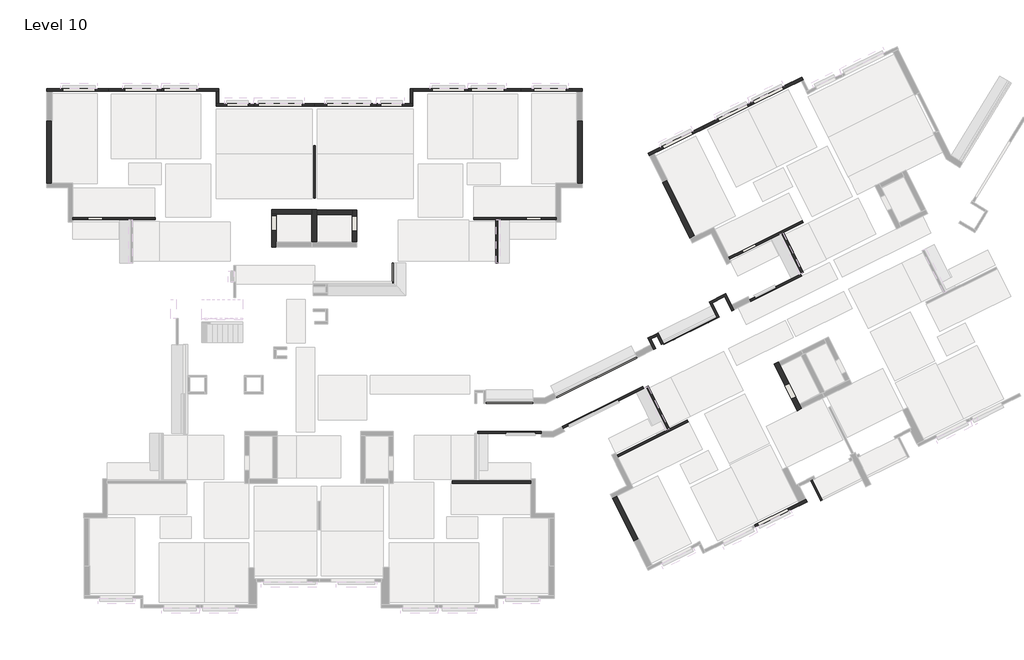
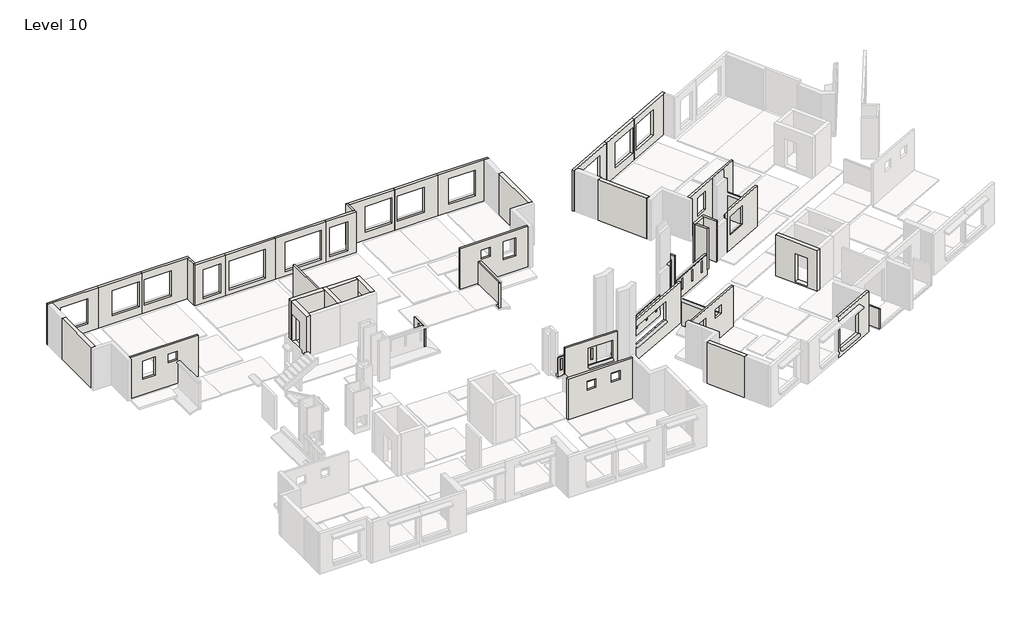
# One storey, part 2 of 8: 49 walls.
"""IFC4 building model written with IfcOpenShell, lengths in millimetres."""

from ifc_helpers import new_model, si_unit, frame, origin, place, context, project, spatial, polyline, outline, extrude, faceted_brep, element, save

model = new_model("IFC4")

# Units and contexts
model_context = context("Model", 3, world=origin())
ifc_project = project(units=[si_unit("LENGTHUNIT", "METRE", prefix="MILLI")], contexts=[model_context])

# Site, building, storey
site = spatial("IfcSite", under=ifc_project)
building = spatial("IfcBuilding", under=site)
storey = spatial("IfcBuildingStorey", under=building, Name="Level 10", Elevation=26000.0)

# Walls
placement = place(None, origin())
element("IfcWall", 1, at=placement, inside=storey, context=model_context, shape_type="Brep", body=[
    faceted_brep([(100354.8886058, -62651.6352907, 26000.0), (100354.8886058, -64401.6352907, 26000.0), (100354.8886058, -64401.6352907, 28800.0), (100354.8886058, -62651.6352907, 28800.0), (100354.8886058, -63526.6352907, 26100.0), (100354.8886058, -62726.6352907, 26100.0), (100354.8886058, -62726.6352907, 27900.0), (100354.8886058, -63526.6352907, 27900.0), (100604.8886058, -62651.6352907, 26000.0), (100604.8886058, -62651.6352907, 28800.0), (100604.8886058, -64151.6352907, 28800.0), (100604.8886058, -64401.6352907, 28800.0), (100604.8886058, -64401.6352907, 26000.0), (100604.8886058, -64151.6352907, 26000.0), (100604.8886058, -63526.6352907, 26100.0), (100604.8886058, -63526.6352907, 27900.0), (100604.8886058, -62726.6352907, 27900.0), (100604.8886058, -62726.6352907, 26100.0)], [[[0, 1, 2, 3], [4, 5, 6, 7]], [[8, 9, 10, 11, 12, 13], [14, 15, 16, 17]], [[2, 1, 12, 11]], [[0, 3, 9, 8]], [[1, 0, 8, 13, 12]], [[3, 2, 11, 10, 9]], [[5, 4, 14, 17]], [[6, 5, 17, 16]], [[7, 6, 16, 15]], [[4, 7, 15, 14]]]),
])
element("IfcWall", 2, at=placement, inside=storey, context=model_context, shape_type="Brep", body=[
    faceted_brep([(102506.8906058, -62401.6352907, 26000.0), (100354.8886058, -62401.6352907, 26000.0), (100354.8886058, -62401.6352907, 28800.0), (102506.8906058, -62401.6352907, 28800.0), (102506.8906058, -62651.6352907, 26000.0), (102506.8906058, -62651.6352907, 28800.0), (100604.8886058, -62651.6352907, 28800.0), (100354.8886058, -62651.6352907, 28800.0), (100354.8886058, -62651.6352907, 26000.0), (100604.8886058, -62651.6352907, 26000.0)], [[[0, 1, 2, 3]], [[4, 5, 6, 7, 8, 9]], [[1, 0, 4, 9, 8]], [[3, 2, 7, 6, 5]], [[2, 1, 8, 7]], [[0, 3, 5, 4]]]),
])
element("IfcWall", 3, at=placement, inside=storey, context=model_context, shape_type="Brep", body=[
    faceted_brep([(114333.1880048, -72660.6596186, 25706.0), (111806.9024596, -72660.6596186, 25706.0), (111806.9024596, -72660.6596186, 26950.0), (114333.1880048, -72660.6596186, 26950.0), (114081.6880048, -72660.6596186, 26125.0), (114081.6880048, -72660.6596186, 26900.0), (113981.6880048, -72660.6596186, 26900.0), (113981.6880048, -72660.6596186, 26125.0), (112098.6880048, -72660.6596186, 26125.0), (112098.6880048, -72660.6596186, 26900.0), (111998.6880048, -72660.6596186, 26900.0), (111998.6880048, -72660.6596186, 26125.0), (113090.1880048, -72660.6596186, 26125.0), (113090.1880048, -72660.6596186, 26900.0), (112990.1880048, -72660.6596186, 26900.0), (112990.1880048, -72660.6596186, 26125.0), (114333.1880048, -72780.6596186, 27050.0), (111806.9024596, -72780.6596186, 27050.0), (111806.9024596, -72780.6596186, 25706.0), (114333.1880048, -72780.6596186, 25706.0), (114081.6880048, -72780.6596186, 26900.0), (114081.6880048, -72780.6596186, 26125.0), (113981.6880048, -72780.6596186, 26125.0), (113981.6880048, -72780.6596186, 26900.0), (112098.6880048, -72780.6596186, 26900.0), (112098.6880048, -72780.6596186, 26125.0), (111998.6880048, -72780.6596186, 26125.0), (111998.6880048, -72780.6596186, 26900.0), (113090.1880048, -72780.6596186, 26900.0), (113090.1880048, -72780.6596186, 26125.0), (112990.1880048, -72780.6596186, 26125.0), (112990.1880048, -72780.6596186, 26900.0), (111806.9024596, -72735.6596186, 27050.0), (111806.9024596, -72735.6596186, 26950.0), (114333.1880048, -72735.6596186, 27050.0), (114333.1880048, -72735.6596186, 26950.0)], [[[0, 1, 2, 3], [4, 5, 6, 7], [8, 9, 10, 11], [12, 13, 14, 15]], [[16, 17, 18, 19], [20, 21, 22, 23], [24, 25, 26, 27], [28, 29, 30, 31]], [[18, 17, 32, 33, 2, 1]], [[17, 16, 34, 32]], [[16, 19, 0, 3, 35, 34]], [[5, 4, 21, 20]], [[7, 6, 23, 22]], [[9, 8, 25, 24]], [[11, 10, 27, 26]], [[13, 12, 29, 28]], [[14, 13, 28, 31]], [[15, 14, 31, 30]], [[4, 7, 22, 21]], [[6, 5, 20, 23]], [[8, 11, 26, 25]], [[10, 9, 24, 27]], [[12, 15, 30, 29]], [[35, 33, 32, 34]], [[33, 35, 3, 2]], [[1, 0, 19, 18]]]),
])
element("IfcWall", 4, at=placement, inside=storey, context=model_context, shape_type="Brep", body=[
    faceted_brep([(119848.7172993, -70236.8452219, 25656.0), (115545.1104648, -72373.1742074, 25656.0), (115545.1104648, -72373.1742074, 26950.0), (119848.7172993, -70236.8452219, 26950.0), (119443.5615445, -70437.9662852, 26900.0), (119443.5615445, -70437.9662852, 26125.0), (119533.1327205, -70393.5027673, 26125.0), (119533.1327205, -70393.5027673, 26900.0), (118547.8497842, -70882.6014644, 26900.0), (118547.8497842, -70882.6014644, 26125.0), (118637.4209602, -70838.1379465, 26125.0), (118637.4209602, -70838.1379465, 26900.0), (117652.138024, -71327.2366436, 26900.0), (117652.138024, -71327.2366436, 26125.0), (117741.7092, -71282.7731257, 26125.0), (117741.7092, -71282.7731257, 26900.0), (116756.4262637, -71771.8718228, 26900.0), (116756.4262637, -71771.8718228, 26125.0), (116845.9974398, -71727.4083049, 26125.0), (116845.9974398, -71727.4083049, 26900.0), (115860.7145035, -72216.507002, 26900.0), (115860.7145035, -72216.507002, 26125.0), (115950.2856795, -72172.0434841, 26125.0), (115950.2856795, -72172.0434841, 26900.0), (119902.0735208, -70344.3306331, 27050.0), (115598.4666863, -72480.6596186, 27050.0), (115598.4666863, -72480.6596186, 25656.0), (119902.0735208, -70344.3306331, 25656.0), (119496.917766, -70545.4516965, 26125.0), (119496.917766, -70545.4516965, 26900.0), (119586.488942, -70500.9881785, 26900.0), (119586.488942, -70500.9881785, 26125.0), (118601.2060057, -70990.0868756, 26125.0), (118601.2060057, -70990.0868756, 26900.0), (118690.7771817, -70945.6233577, 26900.0), (118690.7771817, -70945.6233577, 26125.0), (117705.4942455, -71434.7220548, 26125.0), (117705.4942455, -71434.7220548, 26900.0), (117795.0654215, -71390.2585369, 26900.0), (117795.0654215, -71390.2585369, 26125.0), (116809.7824852, -71879.357234, 26125.0), (116809.7824852, -71879.357234, 26900.0), (116899.3536613, -71834.8937161, 26900.0), (116899.3536613, -71834.8937161, 26125.0), (115914.070725, -72323.9924132, 26125.0), (115914.070725, -72323.9924132, 26900.0), (116003.641901, -72279.5288953, 26900.0), (116003.641901, -72279.5288953, 26125.0), (115578.4581032, -72440.3525894, 27050.0), (115578.4581032, -72440.3525894, 26950.0), (119882.0649378, -70304.0236039, 27050.0), (119882.0649378, -70304.0236039, 26950.0)], [[[0, 1, 2, 3], [4, 5, 6, 7], [8, 9, 10, 11], [12, 13, 14, 15], [16, 17, 18, 19], [20, 21, 22, 23]], [[24, 25, 26, 27], [28, 29, 30, 31], [32, 33, 34, 35], [36, 37, 38, 39], [40, 41, 42, 43], [44, 45, 46, 47]], [[26, 25, 48, 49, 2, 1]], [[25, 24, 50, 48]], [[24, 27, 0, 3, 51, 50]], [[5, 4, 29, 28]], [[7, 6, 31, 30]], [[9, 8, 33, 32]], [[11, 10, 35, 34]], [[13, 12, 37, 36]], [[15, 14, 39, 38]], [[17, 16, 41, 40]], [[19, 18, 43, 42]], [[21, 20, 45, 44]], [[23, 22, 47, 46]], [[6, 5, 28, 31]], [[4, 7, 30, 29]], [[10, 9, 32, 35]], [[8, 11, 34, 33]], [[12, 15, 38, 37]], [[14, 13, 36, 39]], [[16, 19, 42, 41]], [[18, 17, 40, 43]], [[22, 21, 44, 47]], [[20, 23, 46, 45]], [[51, 49, 48, 50]], [[49, 51, 3, 2]], [[1, 0, 27, 26]]]),
])
element("IfcWall", 5, at=placement, inside=storey, context=model_context, shape_type="Brep", body=[
    faceted_brep([(97391.1668295, -56874.9555569, 26000.0), (99391.1668295, -56874.9555569, 26000.0), (99391.1668295, -56874.9555569, 28800.0), (97391.1668295, -56874.9555569, 28800.0), (97941.1668295, -56874.9555569, 26300.0), (97941.1668295, -56874.9555569, 28300.0), (99091.1668295, -56874.9555569, 28300.0), (99091.1668295, -56874.9555569, 26300.0), (97391.1668295, -56724.9555569, 26000.0), (97391.1668295, -56724.9555569, 28800.0), (99391.1668295, -56724.9555569, 28800.0), (99391.1668295, -56724.9555569, 28480.3847577), (99391.1668295, -56724.9555569, 28300.0), (99391.1668295, -56724.9555569, 26000.0), (97941.1668295, -56724.9555569, 26300.0), (99091.1668295, -56724.9555569, 26300.0), (99091.1668295, -56724.9555569, 28300.0), (97941.1668295, -56724.9555569, 28300.0)], [[[0, 1, 2, 3], [4, 5, 6, 7]], [[8, 9, 10, 11, 12, 13], [14, 15, 16, 17]], [[1, 0, 8, 13]], [[3, 2, 10, 9]], [[0, 3, 9, 8]], [[5, 4, 14, 17]], [[6, 5, 17, 16]], [[7, 6, 16, 15]], [[4, 7, 15, 14]], [[1, 13, 12, 11, 10, 2]]]),
])
element("IfcWall", 6, at=placement, inside=storey, context=model_context, shape_type="Brep", body=[
    faceted_brep([(114767.7501263, -74274.9360664, 26000.0), (111386.9026833, -74274.9360664, 26000.0), (111386.9026833, -74274.9360664, 28800.0), (114767.7501263, -74274.9360664, 28800.0), (114475.7501263, -74274.9360664, 27050.0), (114475.7501263, -74274.9360664, 28300.0), (112885.7501263, -74274.9360664, 28300.0), (112885.7501263, -74274.9360664, 27050.0), (111386.9026833, -74394.9360664, 26000.0), (114767.7501263, -74394.9360664, 26000.0), (114767.7501263, -74394.9360664, 28800.0), (111386.9026833, -74394.9360664, 28800.0), (114475.7501263, -74394.9360664, 28300.0), (114475.7501263, -74394.9360664, 27050.0), (114467.7501263, -74394.9360664, 27050.0), (114467.7501263, -74394.9360664, 26950.0), (112887.7501263, -74394.9360664, 26950.0), (112887.7501263, -74394.9360664, 27050.0), (112885.7501263, -74394.9360664, 27050.0), (112885.7501263, -74394.9360664, 28300.0), (112887.7501263, -74319.9360664, 27050.0), (114467.7501263, -74319.9360664, 27050.0), (114467.7501263, -74319.9360664, 26950.0), (112887.7501263, -74319.9360664, 26950.0)], [[[0, 1, 2, 3], [4, 5, 6, 7]], [[8, 9, 10, 11], [12, 13, 14, 15, 16, 17, 18, 19]], [[1, 0, 9, 8]], [[2, 1, 8, 11]], [[3, 2, 11, 10]], [[0, 3, 10, 9]], [[5, 4, 13, 12]], [[6, 5, 12, 19]], [[7, 6, 19, 18]], [[4, 7, 18, 17, 20, 21, 14, 13]], [[21, 22, 15, 14]], [[23, 20, 17, 16]], [[22, 23, 16, 15]], [[22, 21, 20, 23]]]),
])
element("IfcWall", 7, at=placement, inside=storey, context=model_context, shape_type="Brep", body=[
    faceted_brep([(115961.7276501, -74113.6732234, 26000.0), (120273.4130946, -71971.5469905, 26000.0), (120273.4130946, -71971.5469905, 28800.0), (115961.7276501, -74113.6732234, 28800.0), (116230.3968162, -73980.1933403, 26950.0), (116230.3968162, -73980.1933403, 28300.0), (118917.0884776, -72645.3945102, 28300.0), (118917.0884776, -72645.3945102, 26950.0), (120220.0211414, -71864.0793241, 26000.0), (115908.3356969, -74006.2055569, 26000.0), (115908.3356969, -74006.2055569, 28800.0), (120220.0211414, -71864.0793241, 28800.0), (116177.004863, -73872.7256739, 28300.0), (116177.004863, -73872.7256739, 27050.0), (118863.6965244, -72537.9268438, 27050.0), (118863.6965244, -72537.9268438, 28300.0), (116197.0268455, -73913.0260488, 26950.0), (116197.0268455, -73913.0260488, 27050.0), (118883.7185068, -72578.2272187, 27050.0), (118883.7185068, -72578.2272187, 26950.0)], [[[0, 1, 2, 3], [4, 5, 6, 7]], [[8, 9, 10, 11], [12, 13, 14, 15]], [[1, 0, 9, 8]], [[2, 1, 8, 11]], [[3, 2, 11, 10]], [[0, 3, 10, 9]], [[4, 16, 17, 13, 12, 5]], [[6, 5, 12, 15]], [[6, 15, 14, 18, 19, 7]], [[14, 13, 17, 18]], [[17, 16, 19, 18]], [[19, 16, 4, 7]]]),
])
element("IfcWall", 8, at=placement, inside=storey, context=model_context, shape_type="Brep", body=[
    faceted_brep([(125984.275479, -67328.0243844, 26000.0), (128720.1252408, -65969.9367685, 26000.0), (128720.1252408, -65969.9367685, 28800.0), (125984.275479, -67328.0243844, 28800.0), (127372.6287073, -66638.8398567, 27050.0), (126252.989007, -67194.6338307, 27050.0), (126252.989007, -67194.6338307, 28300.0), (127372.6287073, -66638.8398567, 28300.0), (128666.7690192, -65862.4513572, 26000.0), (125930.9192575, -67220.5389732, 26000.0), (125930.9192575, -67220.5389732, 28800.0), (128666.7690192, -65862.4513572, 28800.0), (126199.6327855, -67087.1484195, 28300.0), (126199.6327855, -67087.1484195, 26950.0), (127319.2724858, -66531.3544455, 26950.0), (127319.2724858, -66531.3544455, 28300.0), (127352.6201243, -66598.5328275, 27050.0), (126232.980424, -67154.3268015, 27050.0), (126232.980424, -67154.3268015, 26950.0), (127352.6201243, -66598.5328275, 26950.0)], [[[0, 1, 2, 3], [4, 5, 6, 7]], [[8, 9, 10, 11], [12, 13, 14, 15]], [[1, 0, 9, 8]], [[2, 1, 8, 11]], [[3, 2, 11, 10]], [[0, 3, 10, 9]], [[5, 4, 16, 17]], [[6, 5, 17, 18, 13, 12]], [[7, 6, 12, 15]], [[4, 7, 15, 14, 19, 16]], [[18, 19, 14, 13]], [[18, 17, 16, 19]]]),
])
element("IfcWall", 9, at=placement, inside=storey, context=model_context, shape_type="Brep", body=[
    faceted_brep([(102641.1668295, -56874.9555569, 28800.0), (99391.1668295, -56874.9555569, 28800.0), (99391.1668295, -56874.9555569, 26000.0), (102641.1668295, -56874.9555569, 26000.0), (99641.1668295, -56874.9555569, 26300.0), (99641.1668295, -56874.9555569, 28300.0), (101991.1668295, -56874.9555569, 28300.0), (101991.1668295, -56874.9555569, 26300.0), (102641.1668295, -56724.9555569, 28800.0), (102641.1668295, -56724.9555569, 26000.0), (99391.1668295, -56724.9555569, 26000.0), (99391.1668295, -56724.9555569, 28300.0), (99391.1668295, -56724.9555569, 28480.3847577), (99391.1668295, -56724.9555569, 28800.0), (99641.1668295, -56724.9555569, 26300.0), (101991.1668295, -56724.9555569, 26300.0), (101991.1668295, -56724.9555569, 28300.0), (99641.1668295, -56724.9555569, 28300.0)], [[[0, 1, 2, 3], [4, 5, 6, 7]], [[8, 9, 10, 11, 12, 13], [14, 15, 16, 17]], [[1, 0, 8, 13]], [[5, 4, 14, 17]], [[7, 6, 16, 15]], [[0, 3, 9, 8]], [[6, 5, 17, 16]], [[4, 7, 15, 14]], [[3, 2, 10, 9]], [[1, 13, 12, 11, 10, 2]]]),
])
element("IfcWall", 10, ObjectType="KP-1-AX (2-15) (1)", at=placement, inside=storey, context=model_context, shape_type="SweptSolid", body=[
    extrude(outline(polyline([(120.0, -156.0), (120.0, -1950.0), (75.0, -1950.0), (75.0, -1850.0), (0.0, -1850.0), (0.0, -156.0), (120.0, -156.0)])), frame((121532.728752, -74191.3366927, 25550.0), z_axis=(-0.4446351791864894, 0.8957117602386376, 0.0), x_axis=(0.8957117602386376, 0.4446351791864894, 0.0)), (0.0, 0.0, 1.0), 2545.9175932),
])
element("IfcWall", 11, ObjectType="KP3-A (2-15)", at=placement, inside=storey, context=model_context, shape_type="Brep", body=[
    faceted_brep([(106811.9024596, -65276.6352907, 27050.0), (106811.9024596, -65276.6352907, 25656.0), (106811.9024596, -66281.6158002, 25656.0), (106811.9024596, -66401.6158002, 25656.0), (106811.9024596, -66401.6158002, 26950.0), (106811.9024596, -66326.6158002, 26950.0), (106811.9024596, -66326.6158002, 27050.0), (106811.9024596, -66251.6158002, 27050.0), (106811.9024596, -65758.0229436, 26134.930778), (106811.9024596, -65758.0229436, 26909.930778), (106811.9024596, -65858.0229436, 26909.930778), (106811.9024596, -65858.0229436, 26134.930778), (106931.9024596, -66401.6158002, 25656.0), (106931.9024596, -65276.6352907, 25656.0), (106931.9024596, -65276.6352907, 26950.0), (106931.9024596, -66401.6158002, 26950.0), (106931.9024596, -65758.0229436, 26909.930778), (106931.9024596, -65758.0229436, 26134.930778), (106931.9024596, -65858.0229436, 26134.930778), (106931.9024596, -65858.0229436, 26909.930778), (106856.9024596, -66326.6158002, 27050.0), (106856.9024596, -65276.6352907, 27050.0), (106856.9024596, -65276.6352907, 26950.0), (106856.9024596, -66326.6158002, 26950.0)], [[[0, 1, 2, 3, 4, 5, 6, 7], [8, 9, 10, 11]], [[12, 13, 14, 15], [16, 17, 18, 19]], [[3, 12, 15, 4]], [[0, 7, 6, 20, 21]], [[1, 0, 21, 22, 14, 13]], [[9, 8, 17, 16]], [[10, 9, 16, 19]], [[11, 10, 19, 18]], [[8, 11, 18, 17]], [[22, 23, 5, 4, 15, 14]], [[23, 22, 21, 20]], [[23, 20, 6, 5]], [[3, 2, 1, 13, 12]]]),
])
element("IfcWall", 12, ObjectType="KP5-B (2-15)", at=placement, inside=storey, context=model_context, shape_type="Brep", body=[
    faceted_brep([(124129.9785145, -68111.5864133, 25656.0), (121285.6244929, -69522.3575498, 25656.0), (121285.6244929, -69522.3575498, 26950.0), (124129.9785145, -68111.5864133, 26950.0), (121883.6107321, -69225.7623581, 26125.0), (121883.6107321, -69225.7623581, 26900.0), (121794.0247786, -69270.1960947, 26900.0), (121794.0247786, -69270.1960947, 26125.0), (122779.4702664, -68781.4249923, 26125.0), (122779.4702664, -68781.4249923, 26900.0), (122689.884313, -68825.8587289, 26900.0), (122689.884313, -68825.8587289, 26125.0), (123675.3298008, -68337.0876264, 26125.0), (123675.3298008, -68337.0876264, 26900.0), (123585.7438474, -68381.521363, 26900.0), (123585.7438474, -68381.521363, 26125.0), (124183.2989984, -68219.0895574, 27050.0), (121338.9449768, -69629.8606939, 27050.0), (121338.9449768, -69629.8606939, 25656.0), (124183.2989984, -68219.0895574, 25656.0), (121936.931216, -69333.2655022, 26900.0), (121936.931216, -69333.2655022, 26125.0), (121847.3452625, -69377.6992388, 26125.0), (121847.3452625, -69377.6992388, 26900.0), (122832.7907503, -68888.9281364, 26900.0), (122832.7907503, -68888.9281364, 26125.0), (122743.2047969, -68933.361873, 26125.0), (122743.2047969, -68933.361873, 26900.0), (123728.6502847, -68444.5907705, 26900.0), (123728.6502847, -68444.5907705, 26125.0), (123639.0643313, -68489.0245071, 26125.0), (123639.0643313, -68489.0245071, 26900.0), (124163.3038169, -68178.7758783, 26950.0), (124163.3038169, -68178.7758783, 27050.0), (121318.9497953, -69589.5470149, 27050.0), (121318.9497953, -69589.5470149, 26950.0)], [[[0, 1, 2, 3], [4, 5, 6, 7], [8, 9, 10, 11], [12, 13, 14, 15]], [[16, 17, 18, 19], [20, 21, 22, 23], [24, 25, 26, 27], [28, 29, 30, 31]], [[16, 19, 0, 3, 32, 33]], [[18, 17, 34, 35, 2, 1]], [[17, 16, 33, 34]], [[5, 4, 21, 20]], [[6, 5, 20, 23]], [[7, 6, 23, 22]], [[9, 8, 25, 24]], [[10, 9, 24, 27]], [[11, 10, 27, 26]], [[8, 11, 26, 25]], [[13, 12, 29, 28]], [[14, 13, 28, 31]], [[15, 14, 31, 30]], [[4, 7, 22, 21]], [[12, 15, 30, 29]], [[32, 35, 34, 33]], [[35, 32, 3, 2]], [[1, 0, 19, 18]]]),
])
element("IfcWall", 13, ObjectType="KP7-AX (2-15)", at=placement, inside=storey, context=model_context, shape_type="SweptSolid", body=[
    extrude(outline(polyline([(27500.0, 112331.8906058), (25706.0, 112331.8906058), (25706.0, 112451.8906058), (27400.0, 112451.8906058), (27400.0, 112376.8906058), (27500.0, 112376.8906058), (27500.0, 112331.8906058)])), frame((0.0, -65276.6352907, 0.0), z_axis=(0.0, 1.0, 0.0), x_axis=(0.0, 0.0, 1.0)), (0.0, 0.0, 1.0), 2331.6797338),
])
element("IfcWall", 14, ObjectType="KP7-B (2-15)", at=placement, inside=storey, context=model_context, shape_type="Brep", body=[
    faceted_brep([(127631.8110355, -63685.7638798, 25706.0), (128699.9947468, -65837.6060127, 25706.0), (128699.9947468, -65837.6060127, 27400.0), (127631.8110355, -63685.7638798, 27400.0), (127739.2932519, -63632.4012224, 27500.0), (128807.480158, -65784.2497912, 27500.0), (128807.480158, -65784.2497912, 25706.0), (127739.2932519, -63632.4012224, 25706.0), (128767.1731288, -65804.2583742, 27500.0), (128767.1731288, -65804.2583742, 27400.0), (127698.9874207, -63652.4122189, 27500.0), (127698.9874205, -63652.412219, 27400.0)], [[[0, 1, 2, 3]], [[4, 5, 6, 7]], [[6, 5, 8, 9, 2, 1]], [[5, 4, 10, 8]], [[1, 0, 7, 6]], [[4, 7, 0, 3, 11, 10]], [[11, 9, 8, 10]], [[9, 11, 3, 2]]]),
])
element("IfcWall", 15, ObjectType="PHS-7B1", at=placement, inside=storey, context=model_context, shape_type="Brep", body=[
    faceted_brep([(102756.8906058, -64151.6352907, 26000.0), (102756.8906058, -62676.6352907, 26000.0), (102756.8906058, -62426.6352907, 26000.0), (102756.8906058, -62401.6352907, 26000.0), (102756.8906058, -62401.6352907, 28800.0), (102756.8906058, -62426.6352907, 28800.0), (102756.8906058, -62676.6352907, 28800.0), (102756.8906058, -64151.6352907, 28800.0), (102506.8906058, -64151.6352907, 26000.0), (102506.8906058, -64151.6352907, 28800.0), (102506.8906058, -62651.6352907, 28800.0), (102506.8906058, -62401.6352907, 28800.0), (102506.8906058, -62401.6352907, 26000.0), (102506.8906058, -62651.6352907, 26000.0)], [[[0, 1, 2, 3, 4, 5, 6, 7]], [[8, 9, 10, 11, 12, 13]], [[3, 2, 1, 0, 8, 13, 12]], [[7, 6, 5, 4, 11, 10, 9]], [[0, 7, 9, 8]], [[4, 3, 12, 11]]]),
])
element("IfcWall", 16, ObjectType="PHS-7B1", at=placement, inside=storey, context=model_context, shape_type="Brep", body=[
    faceted_brep([(104906.8906058, -64151.6352907, 26000.0), (104906.8906058, -62426.6352907, 26000.0), (104906.8906058, -62426.6352907, 28800.0), (104906.8906058, -64151.6352907, 28800.0), (104906.8906058, -63551.6352907, 28000.0), (104906.8906058, -62751.6352907, 28000.0), (104906.8906058, -62751.6352907, 26100.0), (104906.8906058, -63551.6352907, 26100.0), (104656.8906058, -64151.6352907, 26000.0), (104656.8906058, -64151.6352907, 28800.0), (104656.8906058, -62676.6352907, 28800.0), (104656.8906058, -62426.6352907, 28800.0), (104656.8906058, -62426.6352907, 26000.0), (104656.8906058, -62676.6352907, 26000.0), (104656.8906058, -63551.6352907, 28000.0), (104656.8906058, -63551.6352907, 26100.0), (104656.8906058, -62751.6352907, 26100.0), (104656.8906058, -62751.6352907, 28000.0)], [[[0, 1, 2, 3], [4, 5, 6, 7]], [[8, 9, 10, 11, 12, 13], [14, 15, 16, 17]], [[0, 3, 9, 8]], [[2, 1, 12, 11]], [[1, 0, 8, 13, 12]], [[3, 2, 11, 10, 9]], [[5, 4, 14, 17]], [[6, 5, 17, 16]], [[7, 6, 16, 15]], [[4, 7, 15, 14]]]),
])
element("IfcWall", 17, ObjectType="PHS-7B1", at=placement, inside=storey, context=model_context, shape_type="SweptSolid", body=[
    extrude(outline(polyline([(102756.8906058, -62426.6352907), (104656.8906058, -62426.6352907), (104656.8906058, -62676.6352907), (102756.8906058, -62676.6352907), (102756.8906058, -62426.6352907)])), frame((0.0, 0.0, 26000.0), z_axis=(0.0, 0.0, 1.0), x_axis=(1.0, 0.0, 0.0)), (0.0, 0.0, 1.0), 2800.0),
])
element("IfcWall", 18, ObjectType="PHS-8B1", at=placement, inside=storey, context=model_context, shape_type="Brep", body=[
    faceted_brep([(127230.9604349, -70669.6609409, 26000.0), (128476.7727329, -73177.2399387, 26000.0), (128476.7727329, -73177.2399387, 28800.0), (127230.9604349, -70669.6609409, 28800.0), (128165.3196725, -72550.3452177, 26100.0), (127809.3733178, -71833.894108, 26100.0), (127809.3733178, -71833.894108, 28000.0), (128165.3196725, -72550.3452177, 28000.0), (127454.8514067, -70558.4277051, 26000.0), (127454.8514067, -70558.4277051, 28800.0), (127566.0846425, -70782.3186769, 28800.0), (128589.4304688, -72842.115731, 28800.0), (128700.6637047, -73066.0067028, 28800.0), (128700.6637047, -73066.0067028, 26000.0), (128589.4304688, -72842.115731, 26000.0), (127566.0846425, -70782.3186769, 26000.0), (128389.2106443, -72439.1119818, 26100.0), (128389.2106443, -72439.1119818, 28000.0), (128033.2642896, -71722.6608722, 28000.0), (128033.2642896, -71722.6608722, 26100.0)], [[[0, 1, 2, 3], [4, 5, 6, 7]], [[8, 9, 10, 11, 12, 13, 14, 15], [16, 17, 18, 19]], [[2, 1, 13, 12]], [[0, 3, 9, 8]], [[1, 0, 8, 15, 14, 13]], [[3, 2, 12, 11, 10, 9]], [[5, 4, 16, 19]], [[6, 5, 19, 18]], [[7, 6, 18, 17]], [[4, 7, 17, 16]]]),
])
element("IfcWall", 19, ObjectType="Precast 120wall for duct", at=placement, inside=storey, context=model_context, shape_type="Brep", body=[
    faceted_brep([(121308.9541326, -69580.1657026, 26000.0), (121023.7178208, -69006.0402216, 26000.0), (121023.7178208, -69006.0402216, 28800.0), (121308.9541326, -69580.1657026, 28800.0), (121201.4864661, -69633.5576558, 26000.0), (121201.4864661, -69633.5576558, 28800.0), (120969.6421075, -69166.8998412, 28800.0), (120916.2501543, -69059.4321748, 28800.0), (120916.2501543, -69059.4321748, 26000.0), (120969.6421075, -69166.8998412, 26000.0)], [[[0, 1, 2, 3]], [[4, 5, 6, 7, 8, 9]], [[1, 0, 4, 9, 8]], [[3, 2, 7, 6, 5]], [[0, 3, 5, 4]], [[2, 1, 8, 7]]]),
])
element("IfcWall", 20, ObjectType="Precast 120wall for duct", at=placement, inside=storey, context=model_context, shape_type="Brep", body=[
    faceted_brep([(120916.2501543, -69059.4321748, 26000.0), (120486.6297688, -69272.8756437, 26000.0), (120486.6297688, -69272.8756437, 28800.0), (120916.2501543, -69059.4321748, 28800.0), (120969.6421075, -69166.8998412, 26000.0), (120969.6421075, -69166.8998412, 28800.0), (120647.4179547, -69326.9868465, 28800.0), (120539.9502645, -69380.3788115, 28800.0), (120539.9502645, -69380.3788115, 26000.0), (120647.4179547, -69326.9868465, 26000.0)], [[[0, 1, 2, 3]], [[4, 5, 6, 7, 8, 9]], [[1, 0, 4, 9, 8]], [[3, 2, 7, 6, 5]], [[0, 3, 5, 4]], [[2, 1, 8, 7]]]),
])
element("IfcWall", 21, ObjectType="Precast 120wall for duct", at=placement, inside=storey, context=model_context, shape_type="SweptSolid", body=[
    extrude(outline(polyline([(120797.6659249, -69899.9773177), (120539.9502645, -69380.3788115), (120647.4179547, -69326.9868465), (120905.169069, -69846.6568338), (120797.6659249, -69899.9773177)])), frame((0.0, 0.0, 26000.0), z_axis=(0.0, 0.0, 1.0), x_axis=(1.0, 0.0, 0.0)), (0.0, 0.0, 1.0), 2800.0),
])
element("IfcWall", 22, ObjectType="Precast 120wall for duct", at=placement, inside=storey, context=model_context, shape_type="Brep", body=[
    faceted_brep([(125086.0520903, -67771.505869, 26000.0), (124659.2023183, -66911.6225792, 26000.0), (124659.2023183, -66911.6225792, 28800.0), (125086.0520903, -67771.505869, 28800.0), (124978.5666791, -67824.8620905, 26000.0), (124978.5666791, -67824.8620905, 28800.0), (124605.0731286, -67072.4642119, 28800.0), (124551.7169071, -66964.9788007, 28800.0), (124551.7169071, -66964.9788007, 26000.0), (124605.0731286, -67072.4642119, 26000.0)], [[[0, 1, 2, 3]], [[4, 5, 6, 7, 8, 9]], [[1, 0, 4, 9, 8]], [[3, 2, 7, 6, 5]], [[0, 3, 5, 4]], [[2, 1, 8, 7]]]),
])
element("IfcWall", 23, ObjectType="Precast 120wall for duct", at=placement, inside=storey, context=model_context, shape_type="Brep", body=[
    faceted_brep([(124551.7169071, -66964.9788007, 26000.0), (123756.9527442, -67359.5031573, 26000.0), (123756.9527442, -67359.5031573, 28800.0), (124551.7169071, -66964.9788007, 28800.0), (124605.0731286, -67072.4642119, 26000.0), (124605.0731286, -67072.4642119, 28800.0), (123917.7586483, -67413.6500829, 28800.0), (123810.2732311, -67467.0063074, 28800.0), (123810.2732311, -67467.0063074, 26000.0), (123917.7586483, -67413.6500829, 26000.0)], [[[0, 1, 2, 3]], [[4, 5, 6, 7, 8, 9]], [[1, 0, 4, 9, 8]], [[3, 2, 7, 6, 5]], [[0, 3, 5, 4]], [[2, 1, 8, 7]]]),
])
element("IfcWall", 24, ObjectType="Precast 120wall for duct", at=placement, inside=storey, context=model_context, shape_type="SweptSolid", body=[
    extrude(outline(polyline([(124183.5166169, -68219.5283133), (123810.2732311, -67467.0063074), (123917.7586483, -67413.6500829), (124291.0197611, -68166.2078294), (124183.5166169, -68219.5283133)])), frame((0.0, 0.0, 26000.0), z_axis=(0.0, 0.0, 1.0), x_axis=(1.0, 0.0, 0.0)), (0.0, 0.0, 1.0), 2800.0),
])
element("IfcWall", 25, ObjectType="Precast wall 150", at=placement, inside=storey, context=model_context, shape_type="SweptSolid", body=[
    extrude(outline(polyline([(26000.0, 88316.1668295), (26000.0, 91596.1668295), (28800.0, 91596.1668295), (28800.0, 88316.1668295), (26000.0, 88316.1668295)]), holes=[polyline([(26550.0, 89166.1668295), (28285.0, 89166.1668295), (28285.0, 90924.4788397), (26550.0, 90924.4788397), (26550.0, 89166.1668295)])]), frame((0.0, -56074.9555569, 0.0), z_axis=(0.0, 1.0, 0.0), x_axis=(0.0, 0.0, 1.0)), (0.0, 0.0, 1.0), 150.0),
])
element("IfcWall", 26, ObjectType="Precast wall 150", at=placement, inside=storey, context=model_context, shape_type="Brep", body=[
    faceted_brep([(91596.1668295, -56074.9555569, 26000.0), (94431.1668295, -56074.9555569, 26000.0), (94431.1668295, -56074.9555569, 28800.0), (91596.1668295, -56074.9555569, 28800.0), (94241.1668295, -56074.9555569, 28285.0), (94241.1668295, -56074.9555569, 26550.0), (92491.1668295, -56074.9555569, 26550.0), (92491.1668295, -56074.9555569, 28285.0), (91596.1668295, -55924.9555569, 26000.0), (91596.1668295, -55924.9555569, 28800.0), (94431.1668295, -55924.9555569, 28800.0), (94431.1668295, -55924.9555569, 28480.3847577), (94431.1668295, -55924.9555569, 28300.0), (94431.1668295, -55924.9555569, 26000.0), (94241.1668295, -55924.9555569, 28285.0), (92491.1668295, -55924.9555569, 28285.0), (92491.1668295, -55924.9555569, 26550.0), (94241.1668295, -55924.9555569, 26550.0)], [[[0, 1, 2, 3], [4, 5, 6, 7]], [[8, 9, 10, 11, 12, 13], [14, 15, 16, 17]], [[1, 0, 8, 13]], [[3, 2, 10, 9]], [[0, 3, 9, 8]], [[5, 4, 14, 17]], [[6, 5, 17, 16]], [[7, 6, 16, 15]], [[4, 7, 15, 14]], [[1, 13, 12, 11, 10, 2]]]),
])
element("IfcWall", 27, ObjectType="Precast wall 150", at=placement, inside=storey, context=model_context, shape_type="Brep", body=[
    faceted_brep([(107896.1668295, -56074.9555569, 26000.0), (110856.1668295, -56074.9555569, 26000.0), (110856.1668295, -56074.9555569, 28800.0), (107896.1668295, -56074.9555569, 28800.0), (108936.1668295, -56074.9555569, 26550.0), (108936.1668295, -56074.9555569, 28285.0), (110686.1668295, -56074.9555569, 28285.0), (110686.1668295, -56074.9555569, 26550.0), (107896.1668295, -55924.9555569, 26000.0), (107896.1668295, -55924.9555569, 28800.0), (110856.1668295, -55924.9555569, 28800.0), (110856.1668295, -55924.9555569, 28480.3847577), (110856.1668295, -55924.9555569, 28300.0), (110856.1668295, -55924.9555569, 26000.0), (108936.1668295, -55924.9555569, 26550.0), (110686.1668295, -55924.9555569, 26550.0), (110686.1668295, -55924.9555569, 28285.0), (108936.1668295, -55924.9555569, 28285.0)], [[[0, 1, 2, 3], [4, 5, 6, 7]], [[8, 9, 10, 11, 12, 13], [14, 15, 16, 17]], [[1, 0, 8, 13]], [[3, 2, 10, 9]], [[5, 4, 14, 17]], [[6, 5, 17, 16]], [[7, 6, 16, 15]], [[4, 7, 15, 14]], [[1, 13, 12, 11, 10, 2]], [[0, 3, 9, 8]]]),
])
element("IfcWall", 28, ObjectType="Precast wall 150", at=placement, inside=storey, context=model_context, shape_type="SweptSolid", body=[
    extrude(outline(polyline([(26000.0, 113666.1668295), (26000.0, 116966.1668295), (28800.0, 116966.1668295), (28800.0, 113666.1668295), (26000.0, 113666.1668295)]), holes=[polyline([(26550.0, 114366.1668295), (28300.0, 114366.1668295), (28300.0, 116116.1668295), (26550.0, 116116.1668295), (26550.0, 114366.1668295)])]), frame((0.0, -56074.9555569, 0.0), z_axis=(0.0, 1.0, 0.0), x_axis=(0.0, 0.0, 1.0)), (0.0, 0.0, 1.0), 150.0),
])
element("IfcWall", 29, ObjectType="Precast wall 150", at=placement, inside=storey, context=model_context, shape_type="SweptSolid", body=[
    extrude(outline(polyline([(0.0, 0.0), (3280.0, 0.0), (3280.0, -2800.0), (0.0, -2800.0), (0.0, 0.0)]), holes=[polyline([(850.0, -550.0), (850.0, -2300.0), (2600.0, -2300.0), (2600.0, -550.0), (850.0, -550.0)])]), frame((120556.435914, -59528.432454, 26000.0), z_axis=(-0.4446888107600673, 0.8956851352929762, 0.0), x_axis=(0.8956851352929762, 0.4446888107600673, 0.0)), (0.0, 0.0, 1.0), 150.0),
])
element("IfcWall", 30, ObjectType="Precast wall 150", at=placement, inside=storey, context=model_context, shape_type="Brep", body=[
    faceted_brep([(123494.2831578, -58069.8531547, 26000.0), (126002.2015366, -56824.7244846, 26000.0), (126002.2015366, -56824.7244846, 28800.0), (123494.2831578, -58069.8531547, 28800.0), (124289.6515579, -57674.9694908, 26550.0), (124289.6515579, -57674.9694908, 28300.0), (125857.1005447, -56896.764072, 28300.0), (125857.1005447, -56896.764072, 26550.0), (125935.498215, -56690.3717143, 26000.0), (123427.5798362, -57935.5003844, 26000.0), (123427.5798362, -57935.5003844, 28800.0), (125935.498215, -56690.3717143, 28800.0), (125935.498215, -56690.3717143, 28480.3847577), (125935.498215, -56690.3717143, 28300.0), (124222.9482363, -57540.6167205, 28300.0), (124222.9482363, -57540.6167205, 26550.0), (125790.3972231, -56762.4113017, 26550.0), (125790.3972231, -56762.4113017, 28300.0)], [[[0, 1, 2, 3], [4, 5, 6, 7]], [[8, 9, 10, 11, 12, 13], [14, 15, 16, 17]], [[1, 0, 9, 8]], [[3, 2, 11, 10]], [[0, 3, 10, 9]], [[5, 4, 15, 14]], [[6, 5, 14, 17]], [[7, 6, 17, 16]], [[4, 7, 16, 15]], [[1, 8, 13, 12, 11, 2]]]),
])
element("IfcWall", 31, ObjectType="Precast wall 150", at=placement, inside=storey, context=model_context, shape_type="Brep", body=[
    faceted_brep([(97511.1668295, -56074.9555569, 28800.0), (97391.1668295, -56074.9555569, 28800.0), (94431.1668295, -56074.9555569, 28800.0), (94431.1668295, -56074.9555569, 26000.0), (97391.1668295, -56074.9555569, 26000.0), (97511.1668295, -56074.9555569, 26000.0), (96341.1668295, -56074.9555569, 28285.0), (96341.1668295, -56074.9555569, 26550.0), (94591.1668295, -56074.9555569, 26550.0), (94591.1668295, -56074.9555569, 28285.0), (97511.1668295, -55924.9555569, 28800.0), (97511.1668295, -55924.9555569, 26000.0), (94431.1668295, -55924.9555569, 26000.0), (94431.1668295, -55924.9555569, 28300.0), (94431.1668295, -55924.9555569, 28480.3847577), (94431.1668295, -55924.9555569, 28800.0), (96341.1668295, -55924.9555569, 28285.0), (94591.1668295, -55924.9555569, 28285.0), (94591.1668295, -55924.9555569, 26550.0), (96341.1668295, -55924.9555569, 26550.0)], [[[0, 1, 2, 3, 4, 5], [6, 7, 8, 9]], [[10, 11, 12, 13, 14, 15], [16, 17, 18, 19]], [[2, 1, 0, 10, 15]], [[7, 6, 16, 19]], [[9, 8, 18, 17]], [[8, 7, 19, 18]], [[6, 9, 17, 16]], [[5, 4, 3, 12, 11]], [[2, 15, 14, 13, 12, 3]], [[0, 5, 11, 10]]]),
])
element("IfcWall", 32, ObjectType="Precast wall 150", at=placement, inside=storey, context=model_context, shape_type="Brep", body=[
    faceted_brep([(113666.1668295, -56074.9555569, 28800.0), (110856.1668295, -56074.9555569, 28800.0), (110856.1668295, -56074.9555569, 26000.0), (113666.1668295, -56074.9555569, 26000.0), (111036.1668295, -56074.9555569, 26550.0), (111036.1668295, -56074.9555569, 28285.0), (112786.1668295, -56074.9555569, 28285.0), (112786.1668295, -56074.9555569, 26550.0), (113666.1668295, -55924.9555569, 28800.0), (113666.1668295, -55924.9555569, 26000.0), (110856.1668295, -55924.9555569, 26000.0), (110856.1668295, -55924.9555569, 28300.0), (110856.1668295, -55924.9555569, 28480.3847577), (110856.1668295, -55924.9555569, 28800.0), (111036.1668295, -55924.9555569, 26550.0), (112786.1668295, -55924.9555569, 26550.0), (112786.1668295, -55924.9555569, 28285.0), (111036.1668295, -55924.9555569, 28285.0)], [[[0, 1, 2, 3], [4, 5, 6, 7]], [[8, 9, 10, 11, 12, 13], [14, 15, 16, 17]], [[1, 0, 8, 13]], [[5, 4, 14, 17]], [[7, 6, 16, 15]], [[0, 3, 9, 8]], [[6, 5, 17, 16]], [[4, 7, 15, 14]], [[3, 2, 10, 9]], [[1, 13, 12, 11, 10, 2]]]),
])
element("IfcWall", 33, ObjectType="Precast wall 150", at=placement, inside=storey, context=model_context, shape_type="Brep", body=[
    faceted_brep([(128785.67319, -55442.7894155, 28800.0), (128678.1909738, -55496.1520728, 28800.0), (126002.2015366, -56824.7244846, 28800.0), (126002.2015366, -56824.7244846, 26000.0), (128678.1909738, -55496.1520728, 26000.0), (128785.67319, -55442.7894155, 26000.0), (126170.590342, -56741.1229882, 26550.0), (126170.590342, -56741.1229882, 28300.0), (127738.0393288, -55962.9175694, 28300.0), (127738.0393288, -55962.9175694, 26550.0), (125935.498215, -56690.3717143, 28800.0), (128718.9698684, -55308.4366452, 28800.0), (128718.9698684, -55308.4366452, 26000.0), (125935.498215, -56690.3717143, 26000.0), (125935.498215, -56690.3717143, 28300.0), (125935.498215, -56690.3717143, 28480.3847577), (126103.8870204, -56606.7702179, 28300.0), (126103.8870204, -56606.7702179, 26550.0), (127671.3360072, -55828.5647991, 26550.0), (127671.3360072, -55828.5647991, 28300.0)], [[[0, 1, 2, 3, 4, 5], [6, 7, 8, 9]], [[10, 11, 12, 13, 14, 15], [16, 17, 18, 19]], [[2, 1, 0, 11, 10]], [[7, 6, 17, 16]], [[9, 8, 19, 18]], [[8, 7, 16, 19]], [[6, 9, 18, 17]], [[5, 4, 3, 13, 12]], [[2, 10, 15, 14, 13, 3]], [[0, 5, 12, 11]]]),
])
element("IfcWall", 34, ObjectType="Precast wall 150", at=placement, inside=storey, context=model_context, shape_type="Brep", body=[
    faceted_brep([(129004.6325692, -78055.9278018, 28800.0), (126231.7980837, -79431.225964, 28800.0), (126231.7980837, -79431.225964, 28480.3847577), (126231.7980837, -79431.225964, 28300.0), (126231.7980837, -79431.225964, 26000.0), (129004.6325692, -78055.9278018, 26000.0), (126410.9699906, -79342.3584909, 26550.0), (126410.9699906, -79342.3584909, 28300.0), (128023.5171524, -78542.5512323, 28300.0), (128023.5171524, -78542.5512323, 26550.0), (126411.1192172, -79342.2844759, 26550.0), (126165.1474788, -79296.8470339, 28800.0), (128937.9819644, -77921.5488717, 28800.0), (128937.9819644, -77921.5488717, 26000.0), (126165.1474788, -79296.8470339, 26000.0), (126344.3193857, -79207.9795607, 28300.0), (126344.3193857, -79207.9795607, 26550.0), (127956.8665476, -78408.1723022, 26550.0), (127956.8665476, -78408.1723022, 28300.0)], [[[0, 1, 2, 3, 4, 5], [6, 7, 8, 9, 10]], [[11, 12, 13, 14], [15, 16, 17, 18]], [[1, 0, 12, 11]], [[7, 6, 16, 15]], [[8, 7, 15, 18]], [[0, 5, 13, 12]], [[17, 16, 6, 10, 9]], [[9, 8, 18, 17]], [[5, 4, 14, 13]], [[1, 11, 14, 4, 3, 2]]]),
])
element("IfcWall", 35, ObjectType="Precast wall 150 (300) Height", at=placement, inside=storey, context=model_context, shape_type="Brep", body=[
    faceted_brep([(102641.1668295, -56874.9555569, 26000.0), (105936.1668295, -56874.9555569, 26000.0), (105936.1668295, -56874.9555569, 28800.0), (102641.1668295, -56874.9555569, 28800.0), (103291.1668295, -56874.9555569, 26300.0), (103291.1668295, -56874.9555569, 28300.0), (105641.1668295, -56874.9555569, 28300.0), (105641.1668295, -56874.9555569, 26300.0), (102641.1668295, -56724.9555569, 26000.0), (102641.1668295, -56724.9555569, 28800.0), (105936.1668295, -56724.9555569, 28800.0), (105936.1668295, -56724.9555569, 28480.3847577), (105936.1668295, -56724.9555569, 28300.0), (105936.1668295, -56724.9555569, 26000.0), (103291.1668295, -56724.9555569, 26300.0), (105641.1668295, -56724.9555569, 26300.0), (105641.1668295, -56724.9555569, 28300.0), (103291.1668295, -56724.9555569, 28300.0)], [[[0, 1, 2, 3], [4, 5, 6, 7]], [[8, 9, 10, 11, 12, 13], [14, 15, 16, 17]], [[1, 0, 8, 13]], [[3, 2, 10, 9]], [[0, 3, 9, 8]], [[5, 4, 14, 17]], [[6, 5, 17, 16]], [[7, 6, 16, 15]], [[4, 7, 15, 14]], [[1, 13, 12, 11, 10, 2]]]),
])
element("IfcWall", 36, ObjectType="Precast wall 150 (300) Height", at=placement, inside=storey, context=model_context, shape_type="Brep", body=[
    faceted_brep([(107896.1668295, -56874.9555569, 28800.0), (105936.1668295, -56874.9555569, 28800.0), (105936.1668295, -56874.9555569, 26000.0), (107896.1668295, -56874.9555569, 26000.0), (106191.1668295, -56874.9555569, 26300.0), (106191.1668295, -56874.9555569, 28300.0), (107341.1668295, -56874.9555569, 28300.0), (107341.1668295, -56874.9555569, 26300.0), (107896.1668295, -56724.9555569, 28800.0), (107896.1668295, -56724.9555569, 26000.0), (107776.1668295, -56724.9555569, 26000.0), (105936.1668295, -56724.9555569, 26000.0), (105936.1668295, -56724.9555569, 28300.0), (105936.1668295, -56724.9555569, 28480.3847577), (105936.1668295, -56724.9555569, 28800.0), (107776.1668295, -56724.9555569, 28800.0), (106191.1668295, -56724.9555569, 26300.0), (106196.1668295, -56724.9555569, 26300.0), (107336.1668295, -56724.9555569, 26300.0), (107341.1668295, -56724.9555569, 26300.0), (107341.1668295, -56724.9555569, 28300.0), (106191.1668295, -56724.9555569, 28300.0)], [[[0, 1, 2, 3], [4, 5, 6, 7]], [[8, 9, 10, 11, 12, 13, 14, 15], [16, 17, 18, 19, 20, 21]], [[1, 0, 8, 15, 14]], [[5, 4, 16, 21]], [[7, 6, 20, 19]], [[4, 7, 19, 18, 17, 16]], [[6, 5, 21, 20]], [[3, 2, 11, 10, 9]], [[1, 14, 13, 12, 11, 2]], [[0, 3, 9, 8]]]),
])
element("IfcWall", 37, ObjectType="Precast wall 250", at=placement, inside=storey, context=model_context, shape_type="SweptSolid", body=[
    extrude(outline(polyline([(88316.1668295, -60974.9555569), (88316.1668295, -57674.9555569), (88566.1668295, -57674.9555569), (88566.1668295, -60974.9555569), (88316.1668295, -60974.9555569)])), frame((0.0, 0.0, 26000.0), z_axis=(0.0, 0.0, 1.0), x_axis=(1.0, 0.0, 0.0)), (0.0, 0.0, 1.0), 2800.0),
])
element("IfcWall", 38, ObjectType="Precast wall 250", at=placement, inside=storey, context=model_context, shape_type="SweptSolid", body=[
    extrude(outline(polyline([(118812.7795939, -77754.033925), (119946.5993009, -80038.0989136), (119722.6713608, -80149.2577084), (118588.8516539, -77865.1927198), (118812.7795939, -77754.033925)])), frame((0.0, 0.0, 26000.0), z_axis=(0.0, 0.0, 1.0), x_axis=(1.0, 0.0, 0.0)), (0.0, 0.0, 1.0), 2800.0),
])
element("IfcWall", 39, ObjectType="Precast wall 250", at=placement, inside=storey, context=model_context, shape_type="SweptSolid", body=[
    extrude(outline(polyline([(116966.1668295, -57662.2555569), (116966.1668295, -60974.9555569), (116716.1668295, -60974.9555569), (116716.1668295, -57662.2555569), (116966.1668295, -57662.2555569)])), frame((0.0, 0.0, 26000.0), z_axis=(0.0, 0.0, 1.0), x_axis=(1.0, 0.0, 0.0)), (0.0, 0.0, 1.0), 2800.0),
])
element("IfcWall", 40, ObjectType="Precast wall 250", at=placement, inside=storey, context=model_context, shape_type="SweptSolid", body=[
    extrude(outline(polyline([(121490.5925533, -60850.9855001), (122958.0656288, -63806.7464466), (122734.1443449, -63917.9186492), (121266.6712694, -60962.1577028), (121490.5925533, -60850.9855001)])), frame((0.0, 0.0, 26000.0), z_axis=(0.0, 0.0, 1.0), x_axis=(1.0, 0.0, 0.0)), (0.0, 0.0, 1.0), 2800.0),
])
element("IfcWall", 41, ObjectType="precast wall 100", at=placement, inside=storey, context=model_context, shape_type="Brep", body=[
    faceted_brep([(129193.0714372, -76927.3808023, 25900.0), (129725.8252841, -77999.7111683, 25900.0), (129725.8252841, -77999.7111683, 27250.0), (129193.0714372, -76927.3808023, 27250.0), (129282.6426181, -76882.9172819, 25900.0), (129282.6426181, -76882.9172819, 27250.0), (129815.3964651, -77955.2476479, 27250.0), (129815.3964651, -77955.2476479, 26000.0), (129815.3964651, -77955.2476479, 25900.0), (129770.9031683, -77865.6912543, 25900.0)], [[[0, 1, 2, 3]], [[4, 5, 6, 7, 8, 9]], [[1, 0, 4, 9, 8]], [[3, 2, 6, 5]], [[2, 1, 8, 7, 6]], [[0, 3, 5, 4]]]),
])
element("IfcWall", 42, ObjectType="precast wall 100", at=placement, inside=storey, context=model_context, shape_type="SweptSolid", body=[
    extrude(outline(polyline([(102691.1668295, -58974.9555569), (102691.1668295, -61799.9555569), (102591.1668295, -61799.9555569), (102591.1668295, -58974.9555569), (102691.1668295, -58974.9555569)])), frame((0.0, 0.0, 26000.0), z_axis=(0.0, 0.0, 1.0), x_axis=(1.0, 0.0, 0.0)), (0.0, 0.0, 1.0), 2300.0),
])
element("IfcWall", 43, ObjectType="precast wall 120", at=placement, inside=storey, context=model_context, shape_type="SweptSolid", body=[
    extrude(outline(polyline([(97391.1668295, -56719.9555569), (97391.1668295, -56074.9555569), (97511.1668295, -56074.9555569), (97511.1668295, -56719.9555569), (97391.1668295, -56719.9555569)])), frame((0.0, 0.0, 26000.0), z_axis=(0.0, 0.0, 1.0), x_axis=(1.0, 0.0, 0.0)), (0.0, 0.0, 1.0), 2800.0),
])
element("IfcWall", 44, ObjectType="precast wall 120", at=placement, inside=storey, context=model_context, shape_type="Brep", body=[
    faceted_brep([(107896.1668295, -56724.9555569, 26000.0), (107896.1668295, -56074.9555569, 26000.0), (107896.1668295, -55924.9555569, 26000.0), (107896.1668295, -55924.9555569, 28800.0), (107896.1668295, -56074.9555569, 28800.0), (107896.1668295, -56724.9555569, 28800.0), (107776.1668295, -56724.9555569, 26000.0), (107776.1668295, -56724.9555569, 28800.0), (107776.1668295, -55924.9555569, 28800.0), (107776.1668295, -55924.9555569, 26000.0)], [[[0, 1, 2, 3, 4, 5]], [[6, 7, 8, 9]], [[2, 1, 0, 6, 9]], [[5, 4, 3, 8, 7]], [[3, 2, 9, 8]], [[0, 5, 7, 6]]]),
])
element("IfcWall", 45, ObjectType="precast wall 120", at=placement, inside=storey, context=model_context, shape_type="SweptSolid", body=[
    extrude(outline(polyline([(26000.0, 89716.1668295), (26000.0, 94116.1668295), (28800.0, 94116.1668295), (28800.0, 89716.1668295), (26000.0, 89716.1668295)]), holes=[polyline([(27050.0, 90516.1668295), (28300.0, 90516.1668295), (28300.0, 91316.1668295), (27050.0, 91316.1668295), (27050.0, 90516.1668295)]), polyline([(27600.0, 92166.1668295), (28200.0, 92166.1668295), (28200.0, 92766.1668295), (27600.0, 92766.1668295), (27600.0, 92166.1668295)])]), frame((0.0, -62944.9555569, 0.0), z_axis=(0.0, 1.0, 0.0), x_axis=(0.0, 0.0, 1.0)), (0.0, 0.0, 1.0), 120.0),
])
element("IfcWall", 46, ObjectType="precast wall 120", at=placement, inside=storey, context=model_context, shape_type="SweptSolid", body=[
    extrude(outline(polyline([(26000.0, 115566.1668295), (28800.0, 115566.1668295), (28800.0, 111166.1668295), (26000.0, 111166.1668295), (26000.0, 115566.1668295)]), holes=[polyline([(27050.0, 114766.1668295), (27050.0, 113966.1668295), (28300.0, 113966.1668295), (28300.0, 114766.1668295), (27050.0, 114766.1668295)]), polyline([(27600.0, 113116.1668295), (27600.0, 112516.1668295), (28200.0, 112516.1668295), (28200.0, 113116.1668295), (27600.0, 113116.1668295)])]), frame((0.0, -62944.9555569, 0.0), z_axis=(0.0, 1.0, 0.0), x_axis=(0.0, 0.0, 1.0)), (0.0, 0.0, 1.0), 120.0),
])
element("IfcWall", 47, ObjectType="precast wall 120", at=placement, inside=storey, context=model_context, shape_type="SweptSolid", body=[
    extrude(outline(polyline([(26000.0, 114216.8906058), (28800.0, 114216.8906058), (28800.0, 110016.8906058), (26000.0, 110016.8906058), (26000.0, 114216.8906058)]), holes=[polyline([(27600.0, 113416.8906058), (27600.0, 112816.8906058), (28200.0, 112816.8906058), (28200.0, 113416.8906058), (27600.0, 113416.8906058)]), polyline([(27600.0, 111816.8906058), (27600.0, 111266.8906058), (28200.0, 111266.8906058), (28200.0, 111816.8906058), (27600.0, 111816.8906058)])]), frame((0.0, -77064.9555569, 0.0), z_axis=(0.0, 1.0, 0.0), x_axis=(0.0, 0.0, 1.0)), (0.0, 0.0, 1.0), 120.0),
])
element("IfcWall", 48, ObjectType="precast wall 120", at=placement, inside=storey, context=model_context, shape_type="SweptSolid", body=[
    extrude(outline(polyline([(0.0, 0.0), (4200.0, 0.0), (4200.0, -2800.0), (0.0, -2800.0), (0.0, 0.0)]), holes=[polyline([(800.0, -1600.0), (800.0, -2200.0), (1400.0000001, -2200.0), (1400.0000001, -1600.0), (800.0, -1600.0)]), polyline([(2400.0, -1600.0), (2400.0, -2200.0), (2990.0, -2200.0), (2990.0, -1600.0), (2400.0, -1600.0)])]), frame((118885.3464414, -75652.6148561, 26000.0), z_axis=(-0.4446351791866857, 0.89571176023854, 0.0), x_axis=(0.89571176023854, 0.4446351791866857, 0.0)), (0.0, 0.0, 1.0), 120.0),
])
element("IfcWall", 49, ObjectType="precast wall 120", at=placement, inside=storey, context=model_context, shape_type="SweptSolid", body=[
    extrude(outline(polyline([(0.0, 0.0), (4399.9999999, 0.0), (4399.9999999, -2800.0), (0.0, -2800.0), (0.0, 0.0)]), holes=[polyline([(800.0, -1050.0), (800.0, -2300.0), (1599.9999999, -2300.0), (1599.9999999, -1050.0), (800.0, -1050.0)]), polyline([(2449.9999999, -1600.0), (2449.9999999, -2200.0), (3050.0, -2200.0), (3050.0, -1600.0), (2449.9999999, -1600.0)])]), frame((124858.8197388, -65062.4956724, 26000.0), z_axis=(-0.4446888107604735, 0.8956851352927746, 0.0), x_axis=(0.8956851352927746, 0.4446888107604735, 0.0)), (0.0, 0.0, 1.0), 120.0),
])

save(model, "model.ifc")
